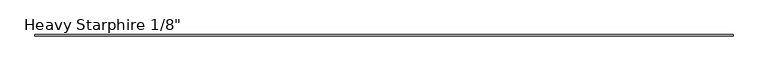
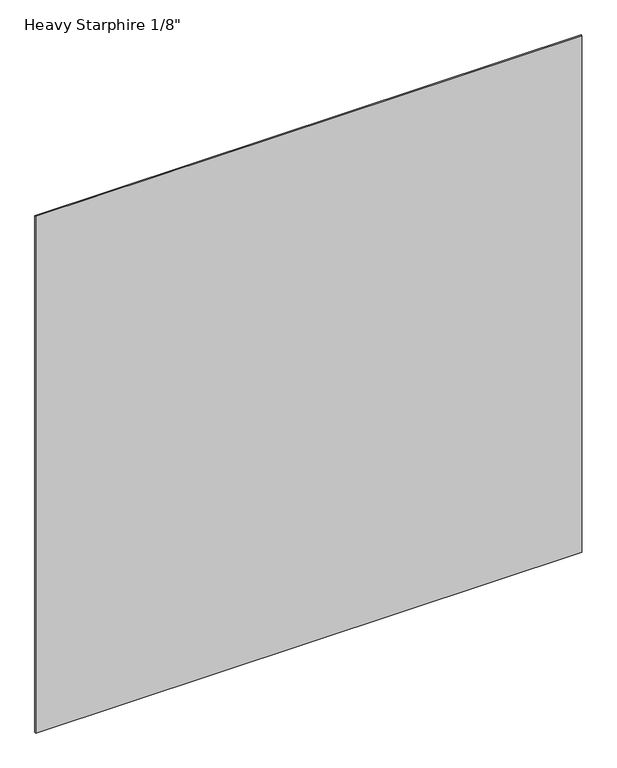
"""IFC4 building model written with IfcOpenShell, lengths in millimetres: plate geometry."""

from ifc_helpers import new_model, si_unit, origin, origin_with_axes, place, context, project, spatial, polyline, outline, extrude, source, transform, mapped, element, save


def plate_9dd7c2d4(model_context):
    return source(origin(), model_context, "Body", "SweptSolid", [
        extrude(outline(polyline([(762.0, 1.5875), (762.0, -1.5875), (-762.0, -1.5875), (-762.0, 1.5875), (762.0, 1.5875)])), origin_with_axes(), (0.0, 0.0, 1.0), 1524.0),
    ])


if __name__ == "__main__":
    model = new_model("IFC4")
    model_context = context("Model", 3, world=origin())
    ifc_project = project(units=[si_unit("LENGTHUNIT", "METRE", prefix="MILLI")], contexts=[model_context])
    site = spatial("IfcSite", under=ifc_project)
    building = spatial("IfcBuilding", under=site)
    placement = place(None, origin())
    plate_shape = plate_9dd7c2d4(model_context)
    element("IfcPlate", 1, ObjectType="Heavy Starphire 1/8\"", at=placement, inside=building, context=model_context, shape_type="MappedRepresentation", body=[
        mapped(plate_shape, transform((0.0, 0.0, 0.0), x_axis=(1.0, 0.0, 0.0), y_axis=(0.0, 1.0, 0.0), z_axis=(0.0, 0.0, 1.0))),
    ])
    save(model, "model.ifc")
